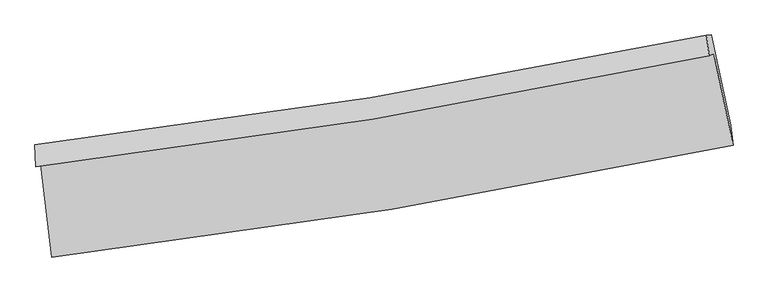
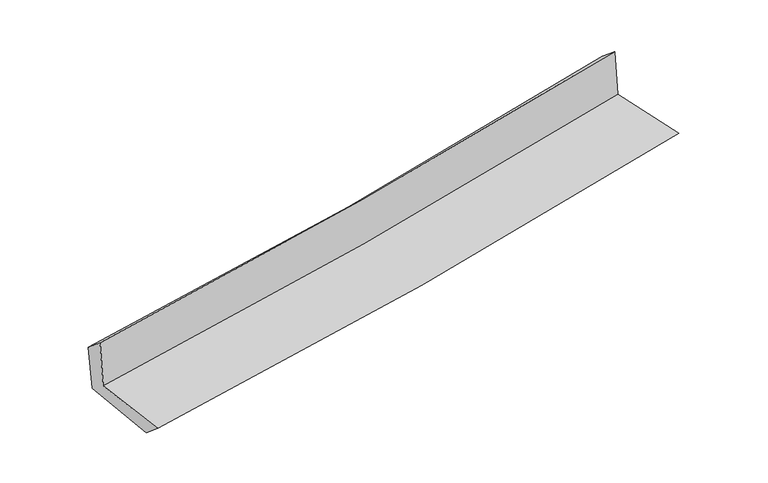
"""IFC4 building model written with IfcOpenShell, lengths in millimetres: proxy geometry."""

from ifc_helpers import new_model, si_unit, frame, origin, place, context, project, spatial, source, transform, mapped, element, save
from ifc_brep_helpers import plane_surface, spline_curve, spline_surface, advanced_brep


def generic_models_aca7f0d6(model_context):
    return source(origin(), model_context, "Body", "AdvancedBrep", [
        advanced_brep(
        [(-2451.528573, -1881.3604842, 1670.428338), (-2371.5540502, -2545.964054, 1661.9299664), (2540.4851964, -1741.6369351, 2115.477285), (2402.3115396, -1078.8493953, 2113.833242), (-2486.6725383, -1896.5340556, 2080.5776055), (2367.4321525, -1093.9087338, 2520.8947367), (-2493.5077477, -1736.4443492, 1944.669664), (2348.1270341, -946.1118469, 2397.3400013), (-2459.3960888, -1735.1466851, 1564.3341214), (2384.2608717, -944.5959223, 2007.1094991), (-2378.426209, -2388.8189473, 1530.3274049), (2523.0215478, -1596.40223, 1977.9329075)],
        [
            (0, 1),
            (1, 2, spline_curve(3, [(-2371.5540502, -2545.964054, 1661.9299664), (-1551.242455515, -2449.590478111, 1736.207244294), (-733.79933595, -2334.807659465, 1810.948581405), (903.605517256, -2067.073659403, 1962.121567192), (1723.508813166, -1913.747438311, 2038.562669515), (2540.4851964, -1741.6369351, 2115.477285)], [4, 2, 4], [0.0, 8.112310266470626, 16.306837298478698])),
            (2, 3),
            (3, 0, spline_curve(3, [(2402.3115396, -1078.8493953, 2113.833242), (1595.317101495, -1249.363993066, 2040.335223662), (785.278570676, -1401.743418645, 1966.447552441), (-832.728910374, -1668.885035336, 1818.638138303), (-1640.637084125, -1784.009305969, 1744.724174697), (-2451.528573, -1881.3604842, 1670.428338)], [4, 2, 4], [0.0, 8.194527032008072, 16.306837298478698])),
            (4, 0),
            (3, 5),
            (5, 4, spline_curve(3, [(2367.4321525, -1093.9087338, 2520.8947367), (1560.31522349, -1264.476217569, 2448.82625438), (750.193484965, -1416.891568415, 2375.909662958), (-867.901404563, -1684.07092429, 2229.120353165), (-1675.81456317, -1799.197347159, 2155.264567387), (-2486.6725383, -1896.5340556, 2080.5776055)], [4, 2, 4], [0.0, 8.14632771145445, 16.210922247482458])),
            (6, 4),
            (5, 7),
            (7, 6, spline_curve(3, [(2348.1270341, -946.1118469, 2397.3400013), (1543.703398266, -1114.554075548, 2316.108476583), (735.971181231, -1264.877399154, 2237.593622751), (-877.97313722, -1527.959811958, 2086.757750368), (-1684.119180497, -1641.080655705, 2014.382491781), (-2493.5077477, -1736.4443492, 1944.669664)], [4, 2, 4], [0.0, 8.135511805597075, 16.189398953171146])),
            (8, 6),
            (7, 9),
            (9, 8, spline_curve(3, [(2384.2608717, -944.5959223, 2007.1094991), (1578.880270738, -1113.109094927, 1934.181182805), (770.501764905, -1263.486083713, 1860.629916978), (-844.110410056, -1526.640905125, 1713.025687057), (-1650.284224474, -1639.780837103, 1638.985159979), (-2459.3960888, -1735.1466851, 1564.3341214)], [4, 2, 4], [0.0, 8.125631562864893, 16.16973759747925])),
            (10, 8),
            (9, 11),
            (11, 10, spline_curve(3, [(2523.0215478, -1596.40223, 1977.9329075), (1708.146070972, -1769.876509, 1903.93257692), (890.179478952, -1922.878612624, 1829.441427492), (-743.69815618, -2186.608779405, 1680.229793646), (-1559.547482971, -2297.745581461, 1605.519109124), (-2378.426209, -2388.8189473, 1530.3274049)], [4, 2, 4], [0.0, 8.174308881261872, 16.266603848347092])),
            (1, 10),
            (11, 2),
        ],
        [
            spline_surface(3, 3, [[(-2451.528573, -1881.3604842, 1670.428338), (-1640.637084112, -1784.009306044, 1744.724174796), (-832.728910498, -1668.885035353, 1818.638138201), (785.278570801, -1401.743418628, 1966.447552544), (1595.317101446, -1249.363993012, 2040.335223765), (2402.3115396, -1078.8493953, 2113.833242)], [(-2424.870398756, -2102.895007448, 1667.595547483), (-1610.838874632, -2005.869696754, 1741.885197994), (-799.752385651, -1890.8592434, 1816.074952637), (824.720886243, -1623.52016553, 1965.005557386), (1638.047671972, -1470.825141474, 2039.744372318), (2448.369425198, -1299.778575238, 2114.381256332)], [(-2398.212224444, -2324.429530752, 1664.762756917), (-1581.040665083, -2227.73008752, 1739.046221142), (-766.775860736, -2112.833451466, 1813.511767082), (864.163201754, -1845.296912451, 1963.563562237), (1680.778242505, -1692.286289921, 2039.153520874), (2494.427310802, -1520.707755162, 2114.929270668)], [(-2371.5540502, -2545.964054, 1661.9299664), (-1551.242455604, -2449.59047823, 1736.207244339), (-733.79933589, -2334.807659514, 1810.948581517), (903.605517195, -2067.073659354, 1962.121567079), (1723.508813031, -1913.747438382, 2038.562669428), (2540.4851964, -1741.6369351, 2115.477285)]], [4, 4], [4, 2, 4], [0.0, 2.212832880874208], [0.0, 8.112310266470626, 16.306837298478698]),
            spline_surface(3, 3, [[(-2486.6725383, -1896.5340556, 2080.5776055), (-1675.814563267, -1799.197347207, 2155.264567286), (-867.90140467, -1684.070924218, 2229.120353038), (750.193485074, -1416.891568488, 2375.909663086), (1560.315223421, -1264.476217542, 2448.82625445), (2367.4321525, -1093.9087338, 2520.8947367)], [(-2474.95788318, -1891.476198473, 1943.861182974), (-1664.088736862, -1794.134666826, 2018.417769763), (-856.177239934, -1679.00896127, 2092.292948107), (761.888513661, -1411.842185208, 2239.42229292), (1571.982516092, -1259.438809374, 2312.662577574), (2379.058614863, -1088.888954308, 2385.207571819)], [(-2463.24322812, -1886.418341327, 1807.144760526), (-1652.362910518, -1789.071986425, 1881.570972319), (-844.453075234, -1673.946998301, 1955.465543133), (773.583542213, -1406.792801907, 2102.934922711), (1583.649808775, -1254.40140118, 2176.498900641), (2390.685077237, -1083.869174792, 2249.520406881)], [(-2451.528573, -1881.3604842, 1670.428338), (-1640.637084112, -1784.009306044, 1744.724174796), (-832.728910498, -1668.885035353, 1818.638138201), (785.278570801, -1401.743418628, 1966.447552544), (1595.317101446, -1249.363993012, 2040.335223765), (2402.3115396, -1078.8493953, 2113.833242)]], [4, 4], [4, 2, 4], [0.0, 1.3508814424192852], [0.0, 8.064594536028007, 16.210922247482458]),
            spline_surface(3, 3, [[(-2493.5077477, -1736.4443492, 1944.669664), (-1684.119180616, -1641.080655737, 2014.382491681), (-877.973137205, -1527.959811882, 2086.757750337), (735.971181216, -1264.877399231, 2237.593622782), (1543.703398384, -1114.554075672, 2316.108476612), (2348.1270341, -946.1118469, 2397.3400013)], [(-2491.229344574, -1789.807584665, 1989.972311173), (-1681.350974841, -1693.786219559, 2061.343183556), (-874.615893044, -1579.996849311, 2134.211951213), (740.711949151, -1315.548788966, 2283.698969525), (1549.240673373, -1164.528122972, 2360.347735899), (2354.562073543, -995.377475877, 2438.524913108)], [(-2488.950941426, -1843.170820135, 2035.274958327), (-1678.582769042, -1746.491783385, 2108.303875411), (-871.258648831, -1632.03388679, 2181.666152163), (745.452717138, -1366.220178752, 2329.804316343), (1554.777948432, -1214.502170241, 2404.586995163), (2360.997113057, -1044.643104823, 2479.709824892)], [(-2486.6725383, -1896.5340556, 2080.5776055), (-1675.814563267, -1799.197347207, 2155.264567286), (-867.90140467, -1684.070924218, 2229.120353038), (750.193485074, -1416.891568488, 2375.909663086), (1560.315223421, -1264.476217542, 2448.82625445), (2367.4321525, -1093.9087338, 2520.8947367)]], [4, 4], [4, 2, 4], [0.0, 0.6847947972427224], [0.0, 8.053887147574072, 16.189398953171146]),
            spline_surface(3, 3, [[(-2459.3960888, -1735.1466851, 1564.3341214), (-1650.284224542, -1639.780836983, 1638.985160069), (-844.110410144, -1526.640904998, 1713.025686958), (770.501764994, -1263.486083842, 1860.629917078), (1578.88027075, -1113.109094874, 1934.181182759), (2384.2608717, -944.5959223, 2007.1094991)], [(-2470.766641771, -1735.579239809, 1691.112635622), (-1661.562543237, -1640.21410991, 1764.117603961), (-855.397985825, -1527.080540653, 1837.603041422), (758.991570407, -1263.949855665, 1986.28448565), (1567.154646628, -1113.590755128, 2061.490280707), (2372.216259167, -945.101230489, 2137.186333164)], [(-2482.137194729, -1736.011794491, 1817.891149778), (-1672.840861921, -1640.64738281, 1889.250047789), (-866.685561524, -1527.520176227, 1962.180395873), (747.481375802, -1264.413627408, 2111.939054209), (1555.429022506, -1114.072415418, 2188.799378664), (2360.171646633, -945.606538711, 2267.263167236)], [(-2493.5077477, -1736.4443492, 1944.669664), (-1684.119180616, -1641.080655737, 2014.382491681), (-877.973137205, -1527.959811882, 2086.757750337), (735.971181216, -1264.877399231, 2237.593622782), (1543.703398384, -1114.554075672, 2316.108476612), (2348.1270341, -946.1118469, 2397.3400013)]], [4, 4], [4, 2, 4], [0.0, 1.2366196113005232], [0.0, 8.044106034614359, 16.16973759747925]),
            spline_surface(3, 3, [[(-2378.426209, -2388.8189473, 1530.3274049), (-1559.547482866, -2297.745581359, 1605.519109134), (-743.698156062, -2186.608779277, 1680.229793727), (890.179478833, -1922.878612753, 1829.44142741), (1708.146070973, -1769.876509064, 1903.93257705), (2523.0215478, -1596.40223, 1977.9329075)], [(-2405.416168919, -2170.928193224, 1541.662977046), (-1589.79306341, -2078.423999891, 1616.674459425), (-777.168907422, -1966.619487826, 1691.161758152), (850.286907554, -1703.081103092, 1839.837590647), (1665.057470925, -1550.954037666, 1914.015445613), (2476.767989126, -1379.133460765, 1987.658438027)], [(-2432.406128881, -1953.037439176, 1552.998549254), (-1620.038643997, -1859.102418451, 1627.829809778), (-810.639658784, -1746.630196448, 1702.093722533), (810.394336273, -1483.283593503, 1850.233753841), (1621.968870799, -1332.031566272, 1924.098314196), (2430.514430374, -1161.864691535, 1997.383968573)], [(-2459.3960888, -1735.1466851, 1564.3341214), (-1650.284224542, -1639.780836983, 1638.985160069), (-844.110410144, -1526.640904998, 1713.025686958), (770.501764994, -1263.486083842, 1860.629917078), (1578.88027075, -1113.109094874, 1934.181182759), (2384.2608717, -944.5959223, 2007.1094991)]], [4, 4], [4, 2, 4], [0.0, 2.1967622323815306], [0.0, 8.09229496708522, 16.266603848347092]),
            spline_surface(3, 3, [[(-2371.5540502, -2545.964054, 1661.9299664), (-1551.242455604, -2449.59047823, 1736.207244339), (-733.79933589, -2334.807659514, 1810.948581517), (903.605517195, -2067.073659354, 1962.121567079), (1723.508813031, -1913.747438382, 2038.562669428), (2540.4851964, -1741.6369351, 2115.477285)], [(-2373.8447698, -2493.58235178, 1618.062445902), (-1554.010798025, -2398.97551262, 1692.644532607), (-737.098942592, -2285.408032782, 1767.375652249), (899.130171096, -2019.008643834, 1917.894853851), (1718.387899015, -1865.790461932, 1993.685971951), (2534.663980203, -1693.225366722, 2069.62915915)], [(-2376.1354894, -2441.20064952, 1574.194925398), (-1556.779140445, -2348.360546969, 1649.081820867), (-740.398549359, -2236.008406009, 1723.802722995), (894.654824932, -1970.943628273, 1873.668140638), (1713.26698499, -1817.833485515, 1948.809274526), (2528.842763997, -1644.813798378, 2023.78103335)], [(-2378.426209, -2388.8189473, 1530.3274049), (-1559.547482866, -2297.745581359, 1605.519109134), (-743.698156062, -2186.608779277, 1680.229793727), (890.179478833, -1922.878612753, 1829.44142741), (1708.146070973, -1769.876509064, 1903.93257705), (2523.0215478, -1596.40223, 1977.9329075)]], [4, 4], [4, 2, 4], [0.0, 0.6466791576702327], [0.0, 8.1498051262974, 16.382207021608195]),
            plane_surface(frame((2427.6063903, -1233.5841772, 2188.7646119), z_axis=(0.9748409876708293, 0.2034544063966402, 0.09105686835573118), x_axis=(-0.09220102150023414, -0.003868113733601395, 0.9957329005965693))),
            plane_surface(frame((-2440.1808678, -2030.7114292, 1742.0445167), z_axis=(-0.9890226940493448, -0.1178738211735281, -0.0891059646562838), x_axis=(-0.11946265957274174, 0.9927575344286981, 0.012694518614720108))),
        ],
        [
            (0, [[1, 2, 3, 4]]),
            (1, [[5, -4, 6, 7]]),
            (2, [[8, -7, 9, 10]]),
            (3, [[11, -10, 12, 13]]),
            (4, [[14, -13, 15, 16]]),
            (5, [[17, -16, 18, -2]]),
            (6, [[-12, -9, -6, -3, -18, -15]]),
            (7, [[-1, -5, -8, -11, -14, -17]]),
        ],
    ),
    ])


if __name__ == "__main__":
    model = new_model("IFC4")
    model_context = context("Model", 3, world=origin())
    ifc_project = project(units=[si_unit("LENGTHUNIT", "METRE", prefix="MILLI")], contexts=[model_context])
    site = spatial("IfcSite", under=ifc_project)
    building = spatial("IfcBuilding", under=site)
    placement = place(None, origin())
    generic_models_shape = generic_models_aca7f0d6(model_context)
    element("IfcBuildingElementProxy", 1, Name="Generic Models", at=placement, inside=building, context=model_context, shape_type="MappedRepresentation", body=[
        mapped(generic_models_shape, transform((0.0, 0.0, 0.0), x_axis=(1.0, 0.0, 0.0), y_axis=(0.0, 1.0, 0.0), z_axis=(0.0, 0.0, 1.0))),
    ])
    save(model, "model.ifc")
